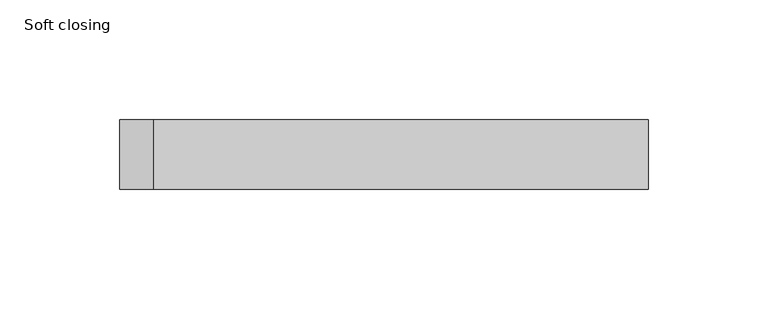
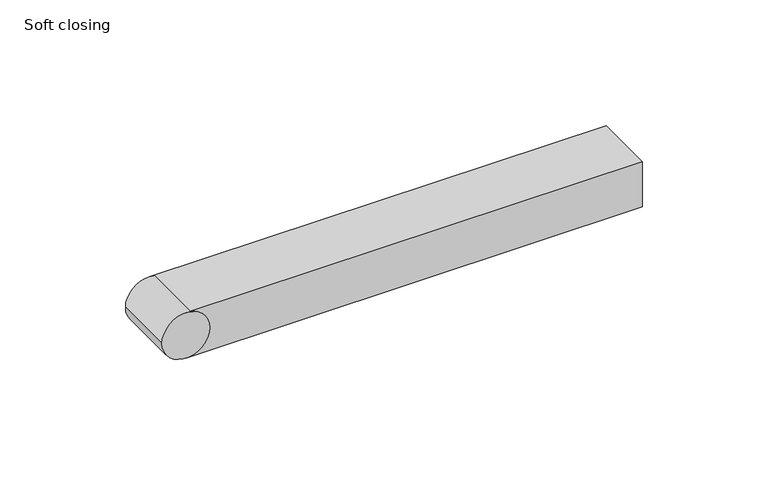
"""IFC4 building model written with IfcOpenShell, lengths in millimetres: proxy geometry, Soft closing."""

from ifc_helpers import new_model, si_unit, point, frame, frame_2d, origin, origin_with_axes, place, context, project, spatial, polyline, circle_curve, trimmed, segment, composite_curve, outline, extrude, source, transform, mapped, element, save


def soft_closing_71e39e4e(model_context):
    return source(origin(), model_context, "Body", "SweptSolid", [
        extrude(outline(composite_curve([segment(trimmed(circle_curve(frame_2d((11.0, -167.85)), 11.0), [point((11.0, -178.85))], [point((11.0, -156.85))], False, "CARTESIAN"), True, "CONTINUOUS"), segment(trimmed(circle_curve(frame_2d((11.0, -167.85)), 11.0), [point((11.0, -156.85))], [point((11.0, -178.85))], False, "CARTESIAN"), True, "CONTINUOUS")], self_intersect=False)), frame((0.0, 0.0, 0.0), z_axis=(0.0, 1.0, 0.0), x_axis=(0.0, 0.0, 1.0)), (0.0, 0.0, 1.0), 29.0),
        extrude(outline(polyline([(42.15, 0.0), (-167.85, 0.0), (-167.85, 29.0), (42.15, 29.0), (42.15, 0.0)])), origin_with_axes(), (0.0, 0.0, 1.0), 22.0),
    ])


if __name__ == "__main__":
    model = new_model("IFC4")
    model_context = context("Model", 3, world=origin())
    ifc_project = project(units=[si_unit("LENGTHUNIT", "METRE", prefix="MILLI")], contexts=[model_context])
    site = spatial("IfcSite", under=ifc_project)
    building = spatial("IfcBuilding", under=site)
    placement = place(None, origin())
    soft_closing_shape = soft_closing_71e39e4e(model_context)
    element("IfcBuildingElementProxy", 1, Name="Soft closing", ObjectType="Soft closing", at=placement, inside=building, context=model_context, shape_type="MappedRepresentation", body=[
        mapped(soft_closing_shape, transform((0.0, 0.0, 0.0), x_axis=(1.0, 0.0, 0.0), y_axis=(0.0, 1.0, 0.0), z_axis=(0.0, 0.0, 1.0))),
    ])
    save(model, "model.ifc")
